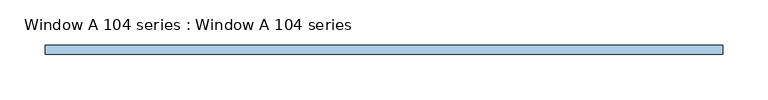
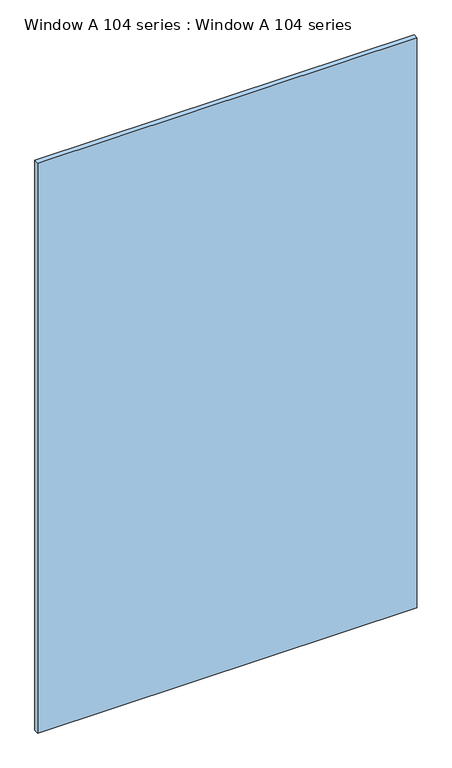
"""IFC4 building model written with IfcOpenShell, lengths in millimetres: window geometry, Window A 104 series : Window A 104 series."""

from ifc_helpers import new_model, si_unit, frame, origin, place, context, project, spatial, polyline, outline, extrude, source, transform, mapped, element, save


def window_a_104_series_window_a_104_series_781374da(model_context):
    return source(origin(), model_context, "Body", "SweptSolid", [
        extrude(outline(polyline([(374.9040671, 5.0), (374.9040671, -5.0), (-374.9040671, -5.0), (-374.9040671, 5.0), (374.9040671, 5.0)])), frame((0.0, 0.0, 901.5559478), z_axis=(0.0, 0.0, 1.0), x_axis=(1.0, 0.0, 0.0)), (0.0, 0.0, 1.0), 1191.3669991),
    ])


if __name__ == "__main__":
    model = new_model("IFC4")
    model_context = context("Model", 3, world=origin())
    ifc_project = project(units=[si_unit("LENGTHUNIT", "METRE", prefix="MILLI")], contexts=[model_context])
    site = spatial("IfcSite", under=ifc_project)
    building = spatial("IfcBuilding", under=site)
    placement = place(None, origin())
    window_a_104_series_window_a_104_series_shape = window_a_104_series_window_a_104_series_781374da(model_context)
    element("IfcWindow", 1, ObjectType="Window A 104 series : Window A 104 series", at=placement, inside=building, context=model_context, shape_type="MappedRepresentation", body=[
        mapped(window_a_104_series_window_a_104_series_shape, transform((0.0, 0.0, 0.0), x_axis=(1.0, 0.0, 0.0), y_axis=(0.0, 1.0, 0.0), z_axis=(0.0, 0.0, 1.0))),
    ])
    save(model, "model.ifc")
